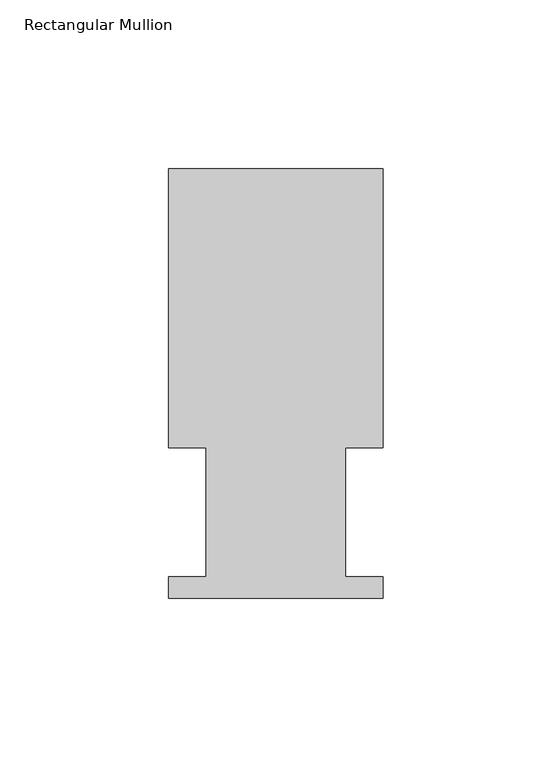
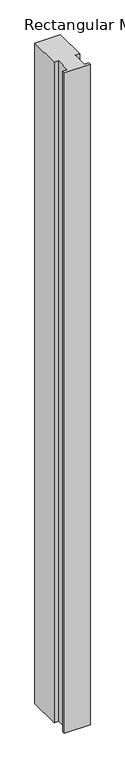
"""IFC4 building model written with IfcOpenShell, lengths in millimetres: member geometry, Rectangular Mullion."""

from ifc_helpers import new_model, si_unit, frame, origin, place, context, project, spatial, polyline, outline, extrude, source, transform, mapped, element, save


def rectangular_mullion_3a4aa4b8(model_context):
    return source(origin(), model_context, "Body", "SweptSolid", [
        extrude(outline(polyline([(31.75, 127.0), (31.75, 44.45), (20.6375, 44.45), (20.6375, 6.35), (31.75, 6.35), (31.75, 0.0), (-31.75, 0.0), (-31.75, 6.35), (-20.6375, 6.35), (-20.6375, 44.45), (-31.75, 44.45), (-31.75, 127.0), (31.75, 127.0)])), frame((0.0, 0.0, -1733.55), z_axis=(0.0, 0.0, 1.0), x_axis=(1.0, 0.0, 0.0)), (0.0, 0.0, 1.0), 1733.55),
    ])


if __name__ == "__main__":
    model = new_model("IFC4")
    model_context = context("Model", 3, world=origin())
    ifc_project = project(units=[si_unit("LENGTHUNIT", "METRE", prefix="MILLI")], contexts=[model_context])
    site = spatial("IfcSite", under=ifc_project)
    building = spatial("IfcBuilding", under=site)
    placement = place(None, origin())
    rectangular_mullion_shape = rectangular_mullion_3a4aa4b8(model_context)
    element("IfcMember", 1, ObjectType="Rectangular Mullion", at=placement, inside=building, context=model_context, shape_type="MappedRepresentation", body=[
        mapped(rectangular_mullion_shape, transform((0.0, 0.0, 0.0), x_axis=(1.0, 0.0, 0.0), y_axis=(0.0, 1.0, 0.0), z_axis=(0.0, 0.0, 1.0))),
    ])
    save(model, "model.ifc")
